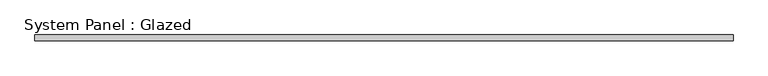
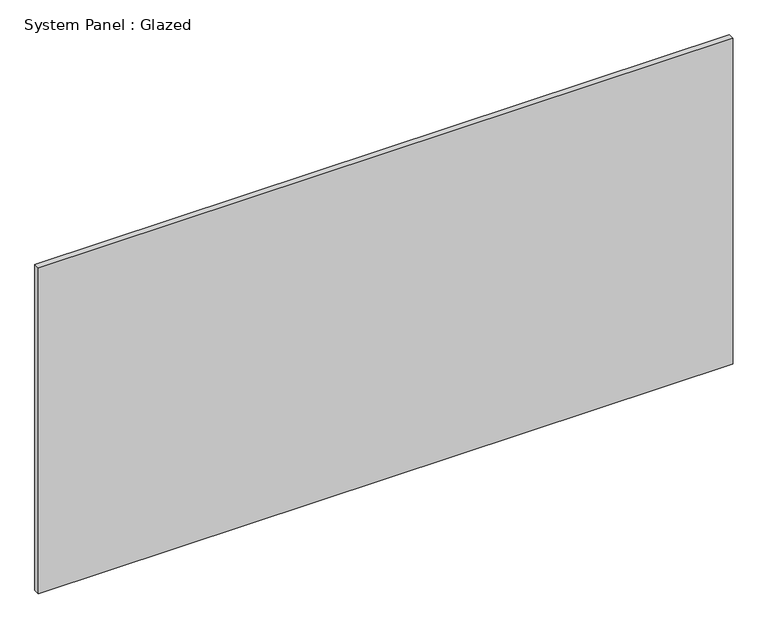
"""IFC4 building model written with IfcOpenShell, lengths in millimetres: plate geometry, System Panel : Glazed."""

from ifc_helpers import new_model, si_unit, origin, origin_with_axes, place, context, project, spatial, polyline, outline, extrude, source, transform, mapped, element, save


def system_panel_glazed_7ad3b22b(model_context):
    return source(origin(), model_context, "Body", "SweptSolid", [
        extrude(outline(polyline([(1472.9465529, -44.45), (-1472.9465529, -44.45), (-1472.9465529, -19.05), (1472.9465529, -19.05), (1472.9465529, -44.45)])), origin_with_axes(), (0.0, 0.0, 1.0), 1460.5),
    ])


if __name__ == "__main__":
    model = new_model("IFC4")
    model_context = context("Model", 3, world=origin())
    ifc_project = project(units=[si_unit("LENGTHUNIT", "METRE", prefix="MILLI")], contexts=[model_context])
    site = spatial("IfcSite", under=ifc_project)
    building = spatial("IfcBuilding", under=site)
    placement = place(None, origin())
    system_panel_glazed_shape = system_panel_glazed_7ad3b22b(model_context)
    element("IfcPlate", 1, ObjectType="System Panel : Glazed", at=placement, inside=building, context=model_context, shape_type="MappedRepresentation", body=[
        mapped(system_panel_glazed_shape, transform((0.0, 0.0, 0.0), x_axis=(1.0, 0.0, 0.0), y_axis=(0.0, 1.0, 0.0), z_axis=(0.0, 0.0, 1.0))),
    ])
    save(model, "model.ifc")
